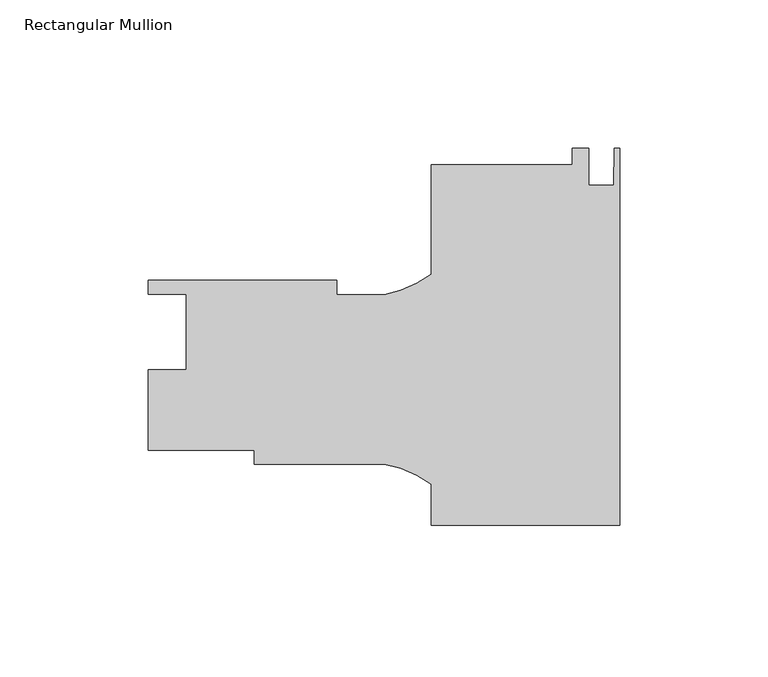
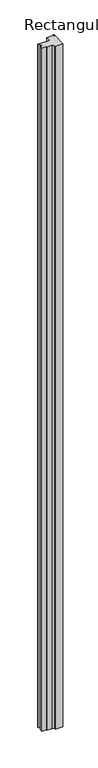
"""IFC4 building model written with IfcOpenShell, lengths in millimetres: member geometry, Rectangular Mullion."""

from ifc_helpers import new_model, si_unit, point, frame, frame_2d, origin, place, context, project, spatial, polyline, circle_curve, trimmed, segment, composite_curve, outline, extrude, source, transform, mapped, element, save


def rectangular_mullion_c554cb25(model_context):
    return source(origin(), model_context, "Body", "SweptSolid", [
        extrude(outline(composite_curve([segment(polyline([(0.0, -63.9296724), (-63.5, -63.9296724), (-63.5, -50.1465877)]), True, "CONTINUOUS"), segment(trimmed(circle_curve(frame_2d((-85.6843006, -79.6906248)), 36.945816), [point((-63.5, -50.1465877))], [point((-79.3172861, -43.2975699))], True, "CARTESIAN"), True, "CONTINUOUS"), segment(polyline([(-79.3172861, -43.2975699), (-123.1500517, -43.2975699), (-123.1500517, -38.5350699), (-158.75, -38.5350699), (-158.75, -11.4840699), (-146.05, -11.4840699), (-146.05, 13.9159301), (-158.75, 13.9159301), (-158.75, 18.6149301), (-95.25, 18.6149301), (-95.25, 13.8524301), (-79.3187366, 13.8524301)]), True, "CONTINUOUS"), segment(trimmed(circle_curve(frame_2d((-85.6843006, 50.2457388)), 36.945816), [point((-79.3187366, 13.8524301))], [point((-63.5, 20.7017017))], True, "CARTESIAN"), True, "CONTINUOUS"), segment(polyline([(-63.5, 20.7017017), (-63.5, 57.5077276), (-15.875, 57.5077276), (-15.875, 63.0838394), (-10.3124, 63.0838394), (-10.3124, 50.7259276), (-2.032, 50.7259276), (-1.778, 63.0703276), (0.0, 63.0703276), (0.0, -63.9296724)]), True, "CONTINUOUS")], self_intersect=False)), frame((0.0, 0.0, -6000.75), z_axis=(0.0, 0.0, 1.0), x_axis=(1.0, 0.0, 0.0)), (0.0, 0.0, 1.0), 6000.75),
    ])


if __name__ == "__main__":
    model = new_model("IFC4")
    model_context = context("Model", 3, world=origin())
    ifc_project = project(units=[si_unit("LENGTHUNIT", "METRE", prefix="MILLI")], contexts=[model_context])
    site = spatial("IfcSite", under=ifc_project)
    building = spatial("IfcBuilding", under=site)
    placement = place(None, origin())
    rectangular_mullion_shape = rectangular_mullion_c554cb25(model_context)
    element("IfcMember", 1, ObjectType="Rectangular Mullion", at=placement, inside=building, context=model_context, shape_type="MappedRepresentation", body=[
        mapped(rectangular_mullion_shape, transform((0.0, 0.0, 0.0), x_axis=(1.0, 0.0, 0.0), y_axis=(0.0, 1.0, 0.0), z_axis=(0.0, 0.0, 1.0))),
    ])
    save(model, "model.ifc")
